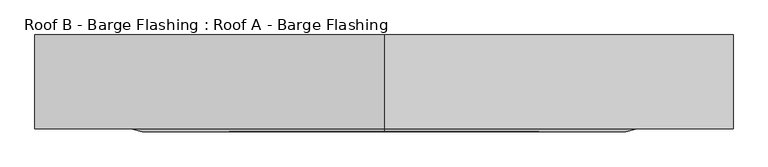
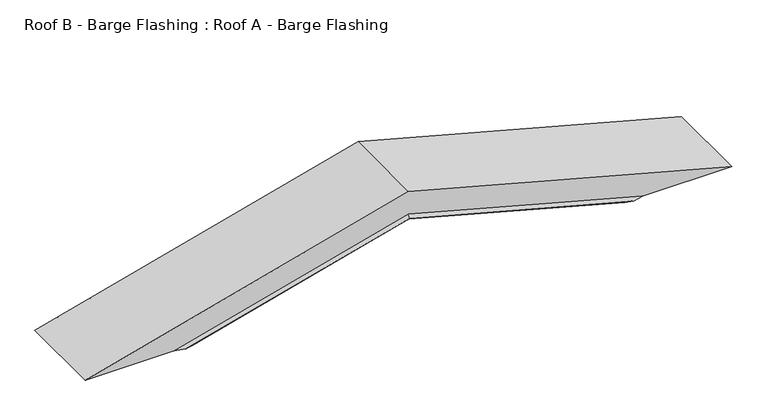
"""IFC4 building model written with IfcOpenShell, lengths in millimetres: proxy geometry, Roof B - Barge Flashing : Roof A - Barge Flashing."""

from ifc_helpers import new_model, si_unit, origin, place, context, project, spatial, faceted_brep, source, transform, mapped, element, save


def roof_b_barge_flashing_roof_a_barge_flashing_8cf88b65(model_context):
    return source(origin(), model_context, "Body", "Brep", [
        faceted_brep([(3668.2884391, -3291.7700183, 3545.332841), (2000.0, -3291.7700183, 3992.349381), (331.7115609, -3291.7700183, 3545.332841), (511.3737646, -3291.7700183, 3545.332841), (2000.0, -3291.7700183, 3944.2090386), (3488.6262354, -3291.7700183, 3545.332841), (2000.0, -3290.7700183, 3944.2090386), (3488.6262354, -3290.7700183, 3545.332841), (511.3737646, -3290.7700183, 3545.332841), (327.8478576, -3290.7700183, 3545.332841), (2000.0, -3290.7700183, 3993.3846572), (3672.1521424, -3290.7700183, 3545.332841), (2000.0, -3740.9046321, 3993.3846572), (3672.1521424, -3740.9046321, 3545.332841), (327.8478576, -3740.9046321, 3545.332841), (786.6626251, -3740.9046321, 3545.332841), (2000.0, -3740.9046321, 3870.4456108), (3213.3373749, -3740.9046321, 3545.332841), (2000.0, -3755.0467678, 3855.8045946), (3158.6963588, -3755.0467678, 3545.332841), (2000.0, -3744.440166, 3844.8238325), (3117.7155967, -3744.440166, 3545.332841), (2000.0, -3743.7330593, 3845.5558833), (3120.4476475, -3743.7330593, 3545.332841), (2000.0, -3753.6325542, 3855.8045946), (3158.6963588, -3753.6325542, 3545.332841), (2000.0, -3739.9046321, 3870.0167853), (3211.7369766, -3739.9046321, 3545.332841), (788.2630234, -3739.9046321, 3545.332841), (331.7115609, -3739.9046321, 3545.332841), (2000.0, -3739.9046321, 3992.349381), (3668.2884391, -3739.9046321, 3545.332841), (841.3036412, -3755.0467678, 3545.332841), (882.2844033, -3744.440166, 3545.332841), (879.5523525, -3743.7330593, 3545.332841), (841.3036412, -3753.6325542, 3545.332841)], [[[0, 1, 2, 3, 4, 5]], [[4, 6, 7, 5]], [[7, 6, 8, 9, 10, 11]], [[10, 12, 13, 11]], [[13, 12, 14, 15, 16, 17]], [[16, 18, 19, 17]], [[18, 20, 21, 19]], [[20, 22, 23, 21]], [[22, 24, 25, 23]], [[24, 26, 27, 25]], [[27, 26, 28, 29, 30, 31]], [[30, 1, 0, 31]], [[6, 4, 3, 8]], [[12, 10, 9, 14]], [[18, 16, 15, 32]], [[20, 18, 32, 33]], [[22, 20, 33, 34]], [[24, 22, 34, 35]], [[26, 24, 35, 28]], [[1, 30, 29, 2]], [[0, 5, 7, 11, 13, 17, 19, 21, 23, 25, 27, 31]], [[3, 2, 29, 28, 35, 34, 33, 32, 15, 14, 9, 8]]]),
    ])


if __name__ == "__main__":
    model = new_model("IFC4")
    model_context = context("Model", 3, world=origin())
    ifc_project = project(units=[si_unit("LENGTHUNIT", "METRE", prefix="MILLI")], contexts=[model_context])
    site = spatial("IfcSite", under=ifc_project)
    building = spatial("IfcBuilding", under=site)
    placement = place(None, origin())
    roof_b_barge_flashing_roof_a_barge_flashing_shape = roof_b_barge_flashing_roof_a_barge_flashing_8cf88b65(model_context)
    element("IfcBuildingElementProxy", 1, Name="Roof B - Barge Flashing : Roof A - Barge Flashing", ObjectType="Roof B - Barge Flashing : Roof A - Barge Flashing", at=placement, inside=building, context=model_context, shape_type="MappedRepresentation", body=[
        mapped(roof_b_barge_flashing_roof_a_barge_flashing_shape, transform((0.0, 0.0, 0.0), x_axis=(1.0, 0.0, 0.0), y_axis=(0.0, 1.0, 0.0), z_axis=(0.0, 0.0, 1.0))),
    ])
    save(model, "model.ifc")
